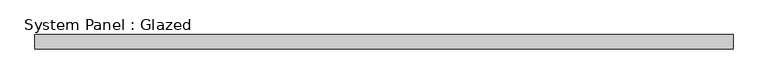
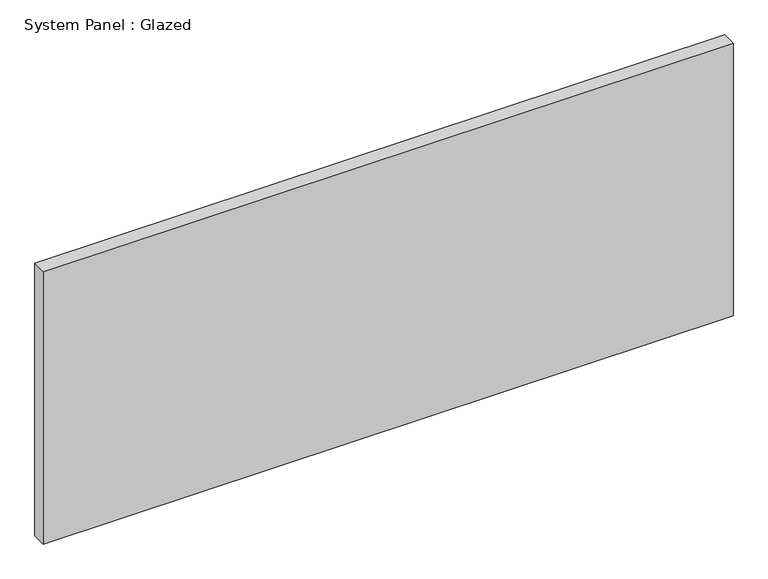
"""IFC4 building model written with IfcOpenShell, lengths in millimetres: plate geometry, System Panel : Glazed."""

from ifc_helpers import new_model, si_unit, origin, origin_with_axes, place, context, project, spatial, polyline, outline, extrude, source, transform, mapped, element, save


def system_panel_glazed_2427f226(model_context):
    return source(origin(), model_context, "Body", "SweptSolid", [
        extrude(outline(polyline([(615.95, -44.45), (-615.95, -44.45), (-615.95, -19.05), (615.95, -19.05), (615.95, -44.45)])), origin_with_axes(), (0.0, 0.0, 1.0), 514.35),
    ])


if __name__ == "__main__":
    model = new_model("IFC4")
    model_context = context("Model", 3, world=origin())
    ifc_project = project(units=[si_unit("LENGTHUNIT", "METRE", prefix="MILLI")], contexts=[model_context])
    site = spatial("IfcSite", under=ifc_project)
    building = spatial("IfcBuilding", under=site)
    placement = place(None, origin())
    system_panel_glazed_shape = system_panel_glazed_2427f226(model_context)
    element("IfcPlate", 1, ObjectType="System Panel : Glazed", at=placement, inside=building, context=model_context, shape_type="MappedRepresentation", body=[
        mapped(system_panel_glazed_shape, transform((0.0, 0.0, 0.0), x_axis=(1.0, 0.0, 0.0), y_axis=(0.0, 1.0, 0.0), z_axis=(0.0, 0.0, 1.0))),
    ])
    save(model, "model.ifc")
